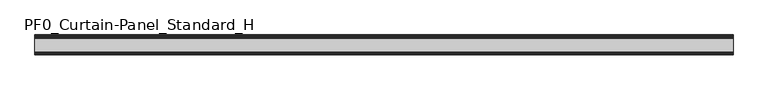
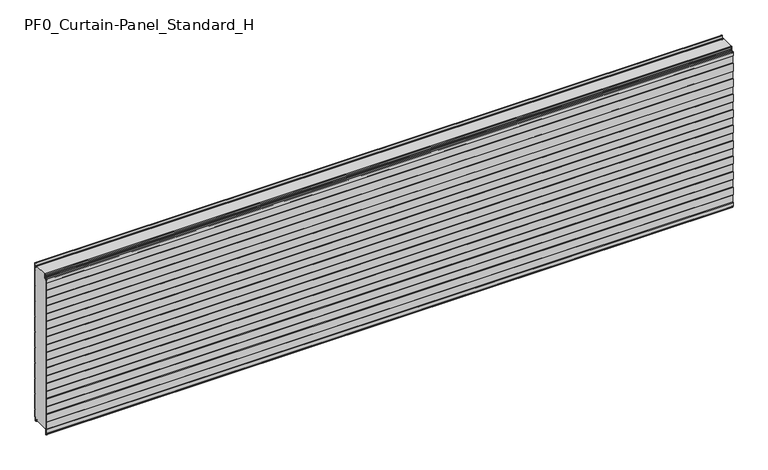
"""IFC4 building model written with IfcOpenShell, lengths in millimetres: plate geometry, PF0_Curtain-Panel_Standard_H."""

from ifc_helpers import new_model, si_unit, point, frame, frame_2d, origin, place, context, project, spatial, polyline, circle_curve, trimmed, segment, composite_curve, outline, extrude, source, transform, mapped, element, save


def pf0_curtain_panel_standard_h_dbd882cd(model_context):
    return source(origin(), model_context, "Body", "SweptSolid", [
        extrude(outline(composite_curve([segment(polyline([(-110.0, 0.0), (-113.5, 0.0)]), True, "CONTINUOUS"), segment(trimmed(circle_curve(frame_2d((-113.5, -2.0)), 2.0), [point((-113.5, 0.0))], [point((-115.5, -2.0))], True, "CARTESIAN"), True, "CONTINUOUS"), segment(polyline([(-115.5, -2.0), (-115.5, -33.0)]), True, "CONTINUOUS"), segment(trimmed(circle_curve(frame_2d((-116.5, -33.0)), 1.0), [point((-115.5, -33.0))], [point((-117.5, -33.0))], False, "CARTESIAN"), True, "CONTINUOUS"), segment(polyline([(-117.5, -33.0), (-117.5, -26.9)]), True, "CONTINUOUS"), segment(trimmed(circle_curve(frame_2d((-118.4, -26.9)), 0.9), [point((-117.5, -26.9))], [point((-118.4, -26.0))], True, "CARTESIAN"), True, "CONTINUOUS"), segment(trimmed(circle_curve(frame_2d((-118.4, -24.4)), 1.6), [point((-118.4, -26.0))], [point((-120.0, -24.4))], False, "CARTESIAN"), True, "CONTINUOUS"), segment(polyline([(-120.0, -24.4), (-120.0, -0.9952559), (-118.5, 1.6028217), (-118.5, 46.4028193), (-120.0, 49.0008969), (-120.0, 99.0047441), (-118.5, 101.6028217), (-118.5, 146.4028193), (-120.0, 149.0008969), (-120.0, 199.0047441), (-118.5, 201.6028217), (-118.5, 246.4028193), (-120.0, 249.0008969), (-120.0, 299.0047441), (-118.5, 301.6028217), (-118.5, 346.4028193), (-120.0, 349.0008969), (-120.0, 399.0047441), (-118.5, 401.6028217), (-118.5, 446.4028193), (-120.0, 449.0008969), (-120.0, 499.0047441), (-118.5, 501.6028217), (-118.5, 546.4028193), (-120.0, 549.0008969), (-120.0, 599.0047441), (-118.5, 601.6028217), (-118.5, 646.4028193), (-120.0, 649.0008969), (-120.0, 699.0047441), (-118.5, 701.6028217), (-118.5, 746.4028193), (-120.0, 749.0008969), (-120.0, 799.0047441), (-118.5, 801.6028217), (-118.5, 846.4028193), (-120.0, 849.0008969), (-120.0, 899.0047441), (-118.5, 901.6028217), (-118.5, 946.4028193), (-120.0, 949.0008969), (-120.0, 972.168846)]), True, "CONTINUOUS"), segment(trimmed(circle_curve(frame_2d((-119.0, 972.168846)), 1.0), [point((-120.0, 972.168846))], [point((-118.0, 972.168846))], False, "CARTESIAN"), True, "CONTINUOUS"), segment(polyline([(-118.0, 972.168846), (-118.0, 966.168846)]), True, "CONTINUOUS"), segment(trimmed(circle_curve(frame_2d((-116.5, 966.168846)), 1.5), [point((-118.0, 966.168846))], [point((-115.0, 966.168846))], True, "CARTESIAN"), True, "CONTINUOUS"), segment(polyline([(-115.0, 966.168846), (-115.0, 966.9964664)]), True, "CONTINUOUS"), segment(trimmed(circle_curve(frame_2d((-108.8276204, 966.9964664)), 6.1723796), [point((-115.0, 966.9964664))], [point((-108.8276204, 973.168846))], False, "CARTESIAN"), True, "CONTINUOUS"), segment(polyline([(-108.8276204, 973.168846), (-108.0, 973.168846)]), True, "CONTINUOUS"), segment(trimmed(circle_curve(frame_2d((-108.0, 974.168846)), 1.0), [point((-108.0, 973.168846))], [point((-107.0, 974.168846))], True, "CARTESIAN"), True, "CONTINUOUS"), segment(polyline([(-107.0, 974.168846), (-107.0, 980.6688472), (-105.4999999, 982.168846), (-107.0, 983.6688448), (-107.0, 995.568846)]), True, "CONTINUOUS"), segment(trimmed(circle_curve(frame_2d((-104.4, 995.568846)), 2.6), [point((-107.0, 995.568846))], [point((-104.4, 998.168846))], False, "CARTESIAN"), True, "CONTINUOUS"), segment(polyline([(-104.4, 998.168846), (-103.0, 998.168846), (-103.0, 997.368846), (-104.4, 997.368846)]), True, "CONTINUOUS"), segment(trimmed(circle_curve(frame_2d((-104.4, 995.568846)), 1.8), [point((-104.4, 997.368846))], [point((-106.2, 995.568846))], True, "CARTESIAN"), True, "CONTINUOUS"), segment(polyline([(-106.2, 995.568846), (-106.2, 984.0002158), (-104.3686285, 982.168846), (-106.2, 980.3374762), (-106.2, 974.168846)]), True, "CONTINUOUS"), segment(trimmed(circle_curve(frame_2d((-108.0, 974.168846)), 1.8), [point((-106.2, 974.168846))], [point((-108.0, 972.368846))], False, "CARTESIAN"), True, "CONTINUOUS"), segment(polyline([(-108.0, 972.368846), (-108.8276204, 972.368846)]), True, "CONTINUOUS"), segment(trimmed(circle_curve(frame_2d((-108.8276204, 966.9964664)), 5.3723796), [point((-108.8276204, 972.368846))], [point((-114.2, 966.9964664))], True, "CARTESIAN"), True, "CONTINUOUS"), segment(polyline([(-114.2, 966.9964664), (-114.2, 966.168846)]), True, "CONTINUOUS"), segment(trimmed(circle_curve(frame_2d((-116.4, 966.168846)), 2.2), [point((-114.2, 966.168846))], [point((-118.6, 966.168846))], False, "CARTESIAN"), True, "CONTINUOUS"), segment(polyline([(-118.6, 966.168846), (-118.6, 972.0579973)]), True, "CONTINUOUS"), segment(trimmed(circle_curve(frame_2d((-118.9, 972.0579973)), 0.3), [point((-118.6, 972.0579973))], [point((-119.2, 972.0579973))], True, "CARTESIAN"), True, "CONTINUOUS"), segment(polyline([(-119.2, 972.0579973), (-119.2, 949.2152562), (-117.7, 946.6171786), (-117.7, 901.3884624), (-119.2, 898.7903848), (-119.2, 849.2152562), (-117.7, 846.6171786), (-117.7, 801.3884624), (-119.2, 798.7903848), (-119.2, 749.2152562), (-117.7, 746.6171786), (-117.7, 701.3884624), (-119.2, 698.7903848), (-119.2, 649.2152562), (-117.7, 646.6171786), (-117.7, 601.3884624), (-119.2, 598.7903848), (-119.2, 549.2152562), (-117.7, 546.6171786), (-117.7, 501.3884624), (-119.2, 498.7903848), (-119.2, 449.2152562), (-117.7, 446.6171786), (-117.7, 401.3884624), (-119.2, 398.7903848), (-119.2, 349.2152562), (-117.7, 346.6171786), (-117.7, 301.3884624), (-119.2, 298.7903848), (-119.2, 249.2152562), (-117.7, 246.6171786), (-117.7, 201.3884624), (-119.2, 198.7903848), (-119.2, 149.2152562), (-117.7, 146.6171786), (-117.7, 101.3884624), (-119.2, 98.7903848), (-119.2, 49.2152562), (-117.7, 46.6171786), (-117.7, 1.3884624), (-119.2, -1.2096152), (-119.2, -24.4)]), True, "CONTINUOUS"), segment(trimmed(circle_curve(frame_2d((-118.4, -24.4)), 0.8), [point((-119.2, -24.4))], [point((-118.4, -25.2))], True, "CARTESIAN"), True, "CONTINUOUS"), segment(trimmed(circle_curve(frame_2d((-118.6133333, -26.9)), 1.7133333), [point((-118.4, -25.2))], [point((-116.9, -26.9))], False, "CARTESIAN"), True, "CONTINUOUS"), segment(polyline([(-116.9, -26.9), (-116.9, -32.8700312)]), True, "CONTINUOUS"), segment(trimmed(circle_curve(frame_2d((-116.6, -32.8700312)), 0.3), [point((-116.9, -32.8700312))], [point((-116.3, -32.8700312))], True, "CARTESIAN"), True, "CONTINUOUS"), segment(polyline([(-116.3, -32.8700312), (-116.3, -2.0)]), True, "CONTINUOUS"), segment(trimmed(circle_curve(frame_2d((-113.5, -2.0)), 2.8), [point((-116.3, -2.0))], [point((-113.5, 0.8))], False, "CARTESIAN"), True, "CONTINUOUS"), segment(polyline([(-113.5, 0.8), (-110.0, 0.8), (-110.0, 0.0)]), True, "CONTINUOUS")], self_intersect=False)), frame((-2100.0, 0.0, 0.0), z_axis=(1.0, 0.0, 0.0), x_axis=(0.0, 1.0, 0.0)), (0.0, 0.0, 1.0), 4200.0),
        extrude(outline(composite_curve([segment(polyline([(-15.878557, 0.0), (-20.0, 0.0), (-20.0, 0.8), (-15.878557, 0.8)]), True, "CONTINUOUS"), segment(trimmed(circle_curve(frame_2d((-15.878557, -2.0)), 2.8), [point((-15.878557, 0.8))], [point((-13.1503208, -1.370137))], False, "CARTESIAN"), True, "CONTINUOUS"), segment(polyline([(-13.1503208, -1.370137), (-11.728236, -7.529863)]), True, "CONTINUOUS"), segment(trimmed(circle_curve(frame_2d((-9.0, -6.9)), 2.8), [point((-11.728236, -7.529863))], [point((-6.2, -6.9))], True, "CARTESIAN"), True, "CONTINUOUS"), segment(polyline([(-6.2, -6.9), (-6.2, 8.6)]), True, "CONTINUOUS"), segment(trimmed(circle_curve(frame_2d((-3.4, 8.6)), 2.8), [point((-6.2, 8.6))], [point((-3.4, 11.4))], False, "CARTESIAN"), True, "CONTINUOUS"), segment(polyline([(-3.4, 11.4), (-2.0, 11.4)]), True, "CONTINUOUS"), segment(trimmed(circle_curve(frame_2d((-2.0, 12.6)), 1.2), [point((-2.0, 11.4))], [point((-0.8, 12.6))], True, "CARTESIAN"), True, "CONTINUOUS"), segment(polyline([(-0.8, 12.6), (-0.8, 57.6856412), (-2.482606, 60.6), (-0.8, 63.5143588), (-0.8, 157.6856412), (-2.482606, 160.6), (-0.8, 163.5143588), (-0.8, 257.6856412), (-2.482606, 260.6), (-0.8, 263.5143588), (-0.8, 357.6856412), (-2.482606, 360.6), (-0.8, 363.5143588), (-0.8, 457.6856412), (-2.482606, 460.6), (-0.8, 463.5143588), (-0.8, 557.6856412), (-2.482606, 560.6), (-0.8, 563.5143588), (-0.8, 657.6856412), (-2.482606, 660.6), (-0.8, 663.5143588), (-0.8, 757.6856412), (-2.482606, 760.6), (-0.8, 763.5143588), (-0.8, 857.6856412), (-2.482606, 860.6), (-0.8, 863.5143588), (-0.8, 957.6856412), (-2.482606, 960.6), (-0.8, 963.5143588), (-0.8, 1007.268846)]), True, "CONTINUOUS"), segment(trimmed(circle_curve(frame_2d((-2.5, 1007.268846)), 1.7), [point((-0.8, 1007.268846))], [point((-4.2, 1007.268846))], True, "CARTESIAN"), True, "CONTINUOUS"), segment(polyline([(-4.2, 1007.268846), (-4.2, 990.268846)]), True, "CONTINUOUS"), segment(trimmed(circle_curve(frame_2d((-9.0, 990.268846)), 4.8), [point((-4.2, 990.268846))], [point((-13.7270771, 989.4353344))], False, "CARTESIAN"), True, "CONTINUOUS"), segment(polyline([(-13.7270771, 989.4353344), (-14.8636953, 995.8814129)]), True, "CONTINUOUS"), segment(trimmed(circle_curve(frame_2d((-16.6363492, 995.568846)), 1.8), [point((-14.8636953, 995.8814129))], [point((-16.6363492, 997.368846))], True, "CARTESIAN"), True, "CONTINUOUS"), segment(polyline([(-16.6363492, 997.368846), (-20.0, 997.368846), (-20.0, 998.168846), (-16.6363492, 998.168846)]), True, "CONTINUOUS"), segment(trimmed(circle_curve(frame_2d((-16.6363492, 995.568846)), 2.6), [point((-16.6363492, 998.168846))], [point((-14.0758491, 996.0203315))], False, "CARTESIAN"), True, "CONTINUOUS"), segment(polyline([(-14.0758491, 996.0203315), (-12.939231, 989.574253)]), True, "CONTINUOUS"), segment(trimmed(circle_curve(frame_2d((-9.0, 990.268846)), 4.0), [point((-12.939231, 989.574253))], [point((-5.0, 990.268846))], True, "CARTESIAN"), True, "CONTINUOUS"), segment(polyline([(-5.0, 990.268846), (-5.0, 1007.268846)]), True, "CONTINUOUS"), segment(trimmed(circle_curve(frame_2d((-2.5, 1007.268846)), 2.5), [point((-5.0, 1007.268846))], [point((0.0, 1007.268846))], False, "CARTESIAN"), True, "CONTINUOUS"), segment(polyline([(0.0, 1007.268846), (0.0, 963.2999995), (-1.5588455, 960.6), (0.0, 957.9000005), (0.0, 863.2999995), (-1.5588455, 860.6), (0.0, 857.9000005), (0.0, 763.2999995), (-1.5588455, 760.6), (0.0, 757.9000005), (0.0, 663.2999995), (-1.5588455, 660.6), (0.0, 657.9000005), (0.0, 563.2999995), (-1.5588455, 560.6), (0.0, 557.9000005), (0.0, 463.2999995), (-1.5588455, 460.6), (0.0, 457.9000005), (0.0, 363.2999995), (-1.5588455, 360.6), (0.0, 357.9000005), (0.0, 263.2999995), (-1.5588455, 260.6), (0.0, 257.9000005), (0.0, 163.2999995), (-1.5588455, 160.6), (0.0, 157.9000005), (0.0, 63.2999995), (-1.5588455, 60.6), (0.0, 57.9000005), (0.0, 12.6)]), True, "CONTINUOUS"), segment(trimmed(circle_curve(frame_2d((-2.0, 12.6)), 2.0), [point((0.0, 12.6))], [point((-2.0, 10.6))], False, "CARTESIAN"), True, "CONTINUOUS"), segment(polyline([(-2.0, 10.6), (-3.4, 10.6)]), True, "CONTINUOUS"), segment(trimmed(circle_curve(frame_2d((-3.4, 8.6)), 2.0), [point((-3.4, 10.6))], [point((-5.4, 8.6))], True, "CARTESIAN"), True, "CONTINUOUS"), segment(polyline([(-5.4, 8.6), (-5.4, -6.9)]), True, "CONTINUOUS"), segment(trimmed(circle_curve(frame_2d((-9.0, -6.9)), 3.6), [point((-5.4, -6.9))], [point((-12.5077322, -7.7098239))], False, "CARTESIAN"), True, "CONTINUOUS"), segment(polyline([(-12.5077322, -7.7098239), (-13.929817, -1.5500979)]), True, "CONTINUOUS"), segment(trimmed(circle_curve(frame_2d((-15.878557, -2.0)), 2.0), [point((-13.929817, -1.5500979))], [point((-15.878557, 0.0))], True, "CARTESIAN"), True, "CONTINUOUS")], self_intersect=False)), frame((-2100.0, 0.0, 0.0), z_axis=(1.0, 0.0, 0.0), x_axis=(0.0, 1.0, 0.0)), (0.0, 0.0, 1.0), 4200.0),
        extrude(outline(composite_curve([segment(polyline([(-110.0, 0.8), (-113.5, 0.8)]), True, "CONTINUOUS"), segment(trimmed(circle_curve(frame_2d((-113.5, -2.0)), 2.8), [point((-113.5, 0.8))], [point((-116.3, -2.0))], True, "CARTESIAN"), True, "CONTINUOUS"), segment(polyline([(-116.3, -2.0), (-116.3, -32.8700312)]), True, "CONTINUOUS"), segment(trimmed(circle_curve(frame_2d((-116.6, -32.8700312)), 0.3), [point((-116.3, -32.8700312))], [point((-116.9, -32.8700312))], False, "CARTESIAN"), True, "CONTINUOUS"), segment(polyline([(-116.9, -32.8700312), (-116.9, -26.9)]), True, "CONTINUOUS"), segment(trimmed(circle_curve(frame_2d((-118.6133333, -26.9)), 1.7133333), [point((-116.9, -26.9))], [point((-118.4, -25.2))], True, "CARTESIAN"), True, "CONTINUOUS"), segment(trimmed(circle_curve(frame_2d((-118.4, -24.4)), 0.8), [point((-118.4, -25.2))], [point((-119.2, -24.4))], False, "CARTESIAN"), True, "CONTINUOUS"), segment(polyline([(-119.2, -24.4), (-119.2, -1.2096152), (-117.7, 1.3884624), (-117.7, 46.6171786), (-119.2, 49.2152562), (-119.2, 98.7903848), (-117.7, 101.3884624), (-117.7, 146.6171786), (-119.2, 149.2152562), (-119.2, 198.7903848), (-117.7, 201.3884624), (-117.7, 246.6171786), (-119.2, 249.2152562), (-119.2, 298.7903848), (-117.7, 301.3884624), (-117.7, 346.6171786), (-119.2, 349.2152562), (-119.2, 398.7903848), (-117.7, 401.3884624), (-117.7, 446.6171786), (-119.2, 449.2152562), (-119.2, 498.7903848), (-117.7, 501.3884624), (-117.7, 546.6171786), (-119.2, 549.2152562), (-119.2, 598.7903848), (-117.7, 601.3884624), (-117.7, 646.6171786), (-119.2, 649.2152562), (-119.2, 698.7903848), (-117.7, 701.3884624), (-117.7, 746.6171786), (-119.2, 749.2152562), (-119.2, 798.7903848), (-117.7, 801.3884624), (-117.7, 846.6171786), (-119.2, 849.2152562), (-119.2, 898.7903848), (-117.7, 901.3884624), (-117.7, 946.6171786), (-119.2, 949.2152562), (-119.2, 972.0579973)]), True, "CONTINUOUS"), segment(trimmed(circle_curve(frame_2d((-118.9, 972.0579973)), 0.3), [point((-119.2, 972.0579973))], [point((-118.6, 972.0579973))], False, "CARTESIAN"), True, "CONTINUOUS"), segment(polyline([(-118.6, 972.0579973), (-118.6, 966.168846)]), True, "CONTINUOUS"), segment(trimmed(circle_curve(frame_2d((-116.4, 966.168846)), 2.2), [point((-118.6, 966.168846))], [point((-114.2, 966.168846))], True, "CARTESIAN"), True, "CONTINUOUS"), segment(polyline([(-114.2, 966.168846), (-114.2, 966.9964664)]), True, "CONTINUOUS"), segment(trimmed(circle_curve(frame_2d((-108.8276204, 966.9964664)), 5.3723796), [point((-114.2, 966.9964664))], [point((-108.8276204, 972.368846))], False, "CARTESIAN"), True, "CONTINUOUS"), segment(polyline([(-108.8276204, 972.368846), (-108.0, 972.368846)]), True, "CONTINUOUS"), segment(trimmed(circle_curve(frame_2d((-108.0, 974.168846)), 1.8), [point((-108.0, 972.368846))], [point((-106.2, 974.168846))], True, "CARTESIAN"), True, "CONTINUOUS"), segment(polyline([(-106.2, 974.168846), (-106.2, 980.3374762), (-104.3686285, 982.168846), (-106.2, 984.0002158), (-106.2, 995.568846)]), True, "CONTINUOUS"), segment(trimmed(circle_curve(frame_2d((-104.4, 995.568846)), 1.8), [point((-106.2, 995.568846))], [point((-104.4, 997.368846))], False, "CARTESIAN"), True, "CONTINUOUS"), segment(polyline([(-104.4, 997.368846), (-103.0, 997.368846), (-103.0, 998.168846), (-20.0, 998.168846), (-20.0, 997.368846), (-16.6363492, 997.368846)]), True, "CONTINUOUS"), segment(trimmed(circle_curve(frame_2d((-16.6363492, 995.568846)), 1.8), [point((-16.6363492, 997.368846))], [point((-14.8636953, 995.8814129))], False, "CARTESIAN"), True, "CONTINUOUS"), segment(polyline([(-14.8636953, 995.8814129), (-13.7270772, 989.4353344)]), True, "CONTINUOUS"), segment(trimmed(circle_curve(frame_2d((-9.0, 990.268846)), 4.8), [point((-13.7270772, 989.4353344))], [point((-4.2, 990.268846))], True, "CARTESIAN"), True, "CONTINUOUS"), segment(polyline([(-4.2, 990.268846), (-4.2, 1007.268846)]), True, "CONTINUOUS"), segment(trimmed(circle_curve(frame_2d((-2.5, 1007.268846)), 1.7), [point((-4.2, 1007.268846))], [point((-0.8, 1007.268846))], False, "CARTESIAN"), True, "CONTINUOUS"), segment(polyline([(-0.8, 1007.268846), (-0.8, 963.5143588), (-2.482606, 960.6), (-0.8, 957.6856412), (-0.8, 863.5143588), (-2.482606, 860.6), (-0.8, 857.6856412), (-0.8, 763.5143588), (-2.482606, 760.6), (-0.8, 757.6856412), (-0.8, 663.5143588), (-2.482606, 660.6), (-0.8, 657.6856412), (-0.8, 563.5143588), (-2.482606, 560.6), (-0.8, 557.6856412), (-0.8, 463.5143588), (-2.482606, 460.6), (-0.8, 457.6856412), (-0.8, 363.5143588), (-2.482606, 360.6), (-0.8, 357.6856412), (-0.8, 263.5143588), (-2.482606, 260.6), (-0.8, 257.6856412), (-0.8, 163.5143588), (-2.482606, 160.6), (-0.8, 157.6856412), (-0.8, 63.5143588), (-2.482606, 60.6), (-0.8, 57.6856412), (-0.8, 12.6)]), True, "CONTINUOUS"), segment(trimmed(circle_curve(frame_2d((-2.0, 12.6)), 1.2), [point((-0.8, 12.6))], [point((-2.0, 11.4))], False, "CARTESIAN"), True, "CONTINUOUS"), segment(polyline([(-2.0, 11.4), (-3.4, 11.4)]), True, "CONTINUOUS"), segment(trimmed(circle_curve(frame_2d((-3.4, 8.6)), 2.8), [point((-3.4, 11.4))], [point((-6.2, 8.6))], True, "CARTESIAN"), True, "CONTINUOUS"), segment(polyline([(-6.2, 8.6), (-6.2, -6.9)]), True, "CONTINUOUS"), segment(trimmed(circle_curve(frame_2d((-9.0, -6.9)), 2.8), [point((-6.2, -6.9))], [point((-11.7282362, -7.529863))], False, "CARTESIAN"), True, "CONTINUOUS"), segment(polyline([(-11.7282362, -7.529863), (-13.1503208, -1.370137)]), True, "CONTINUOUS"), segment(trimmed(circle_curve(frame_2d((-15.878557, -2.0)), 2.8), [point((-13.1503208, -1.370137))], [point((-15.878557, 0.8))], True, "CARTESIAN"), True, "CONTINUOUS"), segment(polyline([(-15.878557, 0.8), (-20.0, 0.8), (-20.0, 0.0), (-110.0, 0.0), (-110.0, 0.8)]), True, "CONTINUOUS")], self_intersect=False)), frame((-2100.0, 0.0, 0.0), z_axis=(1.0, 0.0, 0.0), x_axis=(0.0, 1.0, 0.0)), (0.0, 0.0, 1.0), 4200.0),
    ])


if __name__ == "__main__":
    model = new_model("IFC4")
    model_context = context("Model", 3, world=origin())
    ifc_project = project(units=[si_unit("LENGTHUNIT", "METRE", prefix="MILLI")], contexts=[model_context])
    site = spatial("IfcSite", under=ifc_project)
    building = spatial("IfcBuilding", under=site)
    placement = place(None, origin())
    pf0_curtain_panel_standard_h_shape = pf0_curtain_panel_standard_h_dbd882cd(model_context)
    element("IfcPlate", 1, ObjectType="PF0_Curtain-Panel_Standard_H", at=placement, inside=building, context=model_context, shape_type="MappedRepresentation", body=[
        mapped(pf0_curtain_panel_standard_h_shape, transform((0.0, 0.0, 0.0), x_axis=(1.0, 0.0, 0.0), y_axis=(0.0, 1.0, 0.0), z_axis=(0.0, 0.0, 1.0))),
    ])
    save(model, "model.ifc")
